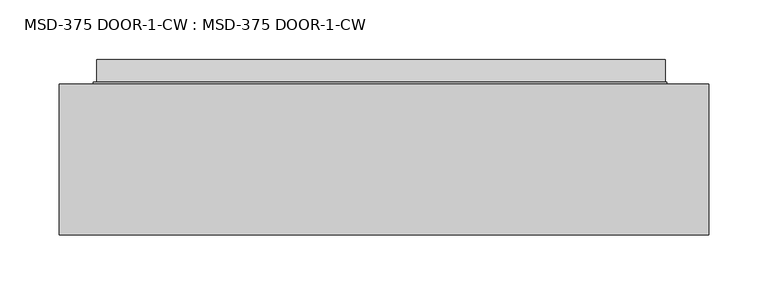
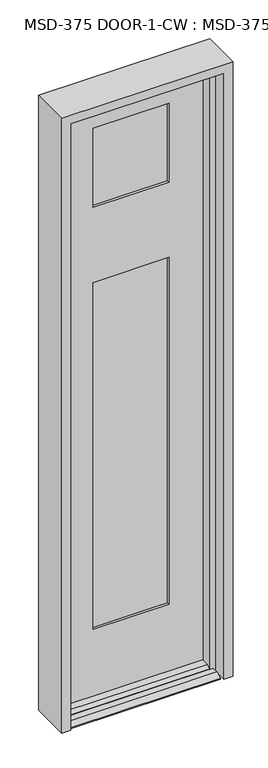
"""IFC4 building model written with IfcOpenShell, lengths in millimetres: plate geometry, MSD-375 DOOR-1-CW : MSD-375 DOOR-1-CW."""

from ifc_helpers import new_model, si_unit, frame, origin, place, context, project, spatial, polyline, outline, extrude, faceted_brep, source, transform, mapped, element, save


def msd_375_door_1_cw_msd_375_door_1_cw_c3269a17(model_context):
    return source(origin(), model_context, "Body", "SolidModel", [
        faceted_brep([(236.6563901, 1.8752528, 0.0), (238.0603327, 1.8752528, 0.0), (236.6563901, -20.6651106, 0.0), (236.6563901, -121.9497472, 0.0), (-241.7064, -121.9497472, 0.0), (-241.7064, -42.5747472, 0.0), (-244.475, 1.8752528, 0.0), (-241.7064, 1.8752528, 0.0), (-241.7064, 20.9252528, 0.0), (236.6563901, 20.9252528, 0.0), (236.6563901, -35.1325472, 226.2251), (236.6563901, -35.1325472, 246.0625), (236.6563901, -42.5747472, 246.0625), (236.6563901, -42.5747472, 21.4376), (236.6563901, -68.4446472, 21.4376), (236.6563901, -80.8652472, 14.2748), (236.6563901, -80.8652472, 12.7), (236.6563901, -102.8997472, 12.7), (236.6563901, -121.9497472, 3.175), (236.6563901, -20.6651106, 226.2251), (236.6563901, 20.9252528, 3.175), (236.6563901, 1.8752528, 12.7), (-241.7064, 1.8752528, 12.7), (-241.7064, 20.9252528, 3.175), (-241.7064, -121.9497472, 3.175), (-241.7064, -102.8997472, 12.7), (-241.7064, -80.8652472, 12.7), (-241.7064, -80.8652472, 14.2748), (-241.7064, -68.4446472, 21.4376), (-241.7064, -42.5747472, 21.4376), (238.0603327, 1.8752528, 2034.2980546), (-244.475, 1.8752528, 2034.2980546), (-123.825, 1.8752528, 1413.65605), (-123.825, 1.8752528, 246.0625), (117.4103327, 1.8752528, 246.0625), (117.4103327, 1.8752528, 1413.65605), (117.4103327, 1.8752528, 1932.6980546), (-123.825, 1.8752528, 1932.6980546), (-123.825, 1.8752528, 1667.65605), (117.4103327, 1.8752528, 1667.65605), (117.4103327, -9.7325472, 1932.6980546), (-123.825, -9.7325472, 1932.6980546), (137.2477327, -9.7325472, 1433.50615), (-143.6624, -9.7325472, 1433.50615), (-143.6624, -9.7325472, 226.2251), (137.2477327, -9.7325472, 226.2251), (-123.825, -9.7325472, 1413.65605), (117.4103327, -9.7325472, 1413.65605), (117.4103327, -9.7325472, 246.0625), (-123.825, -9.7325472, 246.0625), (137.2477327, -9.7325472, 1952.61865), (-143.6624, -9.7325472, 1952.61865), (-143.6624, -9.7325472, 1647.81865), (137.2477327, -9.7325472, 1647.81865), (117.4103327, -9.7325472, 1667.65605), (-123.825, -9.7325472, 1667.65605), (137.2477327, -35.1325472, 1952.61865), (-143.6624, -35.1325472, 1952.61865), (235.7552755, -35.1325472, 226.2251), (235.7552755, -35.1325472, 246.0625), (137.2477327, -35.1325472, 1647.81865), (-143.6624, -35.1325472, 1647.81865), (117.4103327, -35.1325472, 1932.6980546), (-123.825, -35.1325472, 1932.6980546), (-123.825, -35.1325472, 1667.65605), (117.4103327, -35.1325472, 1667.65605), (-143.6624, -35.1325472, 1433.50615), (137.2477327, -35.1325472, 1433.50615), (137.2477327, -35.1325472, 226.2251), (-143.6624, -35.1325472, 226.2251), (117.4103327, -35.1325472, 1413.65605), (-123.825, -35.1325472, 1413.65605), (-123.825, -35.1325472, 246.0625), (117.4103327, -35.1325472, 246.0625), (117.4103327, -42.5747472, 1932.6980546), (-123.825, -42.5747472, 1932.6980546), (235.2917327, -42.5747472, 2034.2980546), (-241.7064, -42.5747472, 2034.2980546), (235.2917327, -42.5747472, 246.0625), (117.4103327, -42.5747472, 1667.65605), (-123.825, -42.5747472, 1667.65605), (117.4103327, -42.5747472, 1413.65605), (117.4103327, -42.5747472, 246.0625), (-123.825, -42.5747472, 246.0625), (-123.825, -42.5747472, 1413.65605)], [[[0, 1, 2, 3, 4, 5, 6, 7, 8, 9]], [[10, 11, 12, 13, 14, 15, 16, 17, 18, 3, 2, 19]], [[9, 20, 21, 0]], [[22, 23, 8, 7]], [[4, 24, 25, 26, 27, 28, 29, 5]], [[30, 1, 0, 21, 22, 7, 6, 31], [32, 33, 34, 35], [36, 37, 38, 39]], [[36, 40, 41, 37]], [[42, 43, 44, 45], [46, 47, 48, 49]], [[50, 51, 52, 53], [41, 40, 54, 55]], [[50, 56, 57, 51]], [[11, 10, 58, 59]], [[57, 56, 60, 61], [62, 63, 64, 65]], [[66, 67, 68, 69], [70, 71, 72, 73]], [[62, 74, 75, 63]], [[76, 77, 29, 13, 12, 78], [75, 74, 79, 80], [81, 82, 83, 84]], [[76, 30, 31, 77]], [[56, 50, 53, 60]], [[68, 67, 42, 45]], [[74, 62, 65, 79]], [[81, 70, 73, 82]], [[30, 76, 78, 59, 58, 19, 2, 1]], [[40, 36, 39, 54]], [[47, 35, 34, 48]], [[29, 77, 31, 6, 5]], [[63, 75, 80, 64]], [[71, 84, 83, 72]], [[44, 43, 66, 69]], [[51, 57, 61, 52]], [[37, 41, 55, 38]], [[32, 46, 49, 33]], [[39, 38, 55, 54]], [[60, 53, 52, 61]], [[65, 64, 80, 79]], [[71, 70, 81, 84]], [[42, 67, 66, 43]], [[32, 35, 47, 46]], [[10, 19, 58]], [[69, 68, 45, 44]], [[12, 11, 59, 78]], [[73, 72, 83, 82]], [[14, 13, 29, 28]], [[15, 14, 28, 27]], [[16, 15, 27, 26]], [[17, 16, 26, 25]], [[18, 17, 25, 24]], [[3, 18, 24, 4]], [[20, 9, 8, 23]], [[22, 21, 20, 23]], [[34, 33, 49, 48]]]),
        extrude(outline(polyline([(-141.7662802, -9.7325472), (136.6338756, -9.7325472), (136.6338756, -14.8125472), (-141.7662802, -14.8125472), (-141.7662802, -9.7325472)])), frame((0.0, 0.0, 1647.81865), z_axis=(0.0, 0.0, 1.0), x_axis=(1.0, 0.0, 0.0)), (0.0, 0.0, 1.0), 304.8),
        extrude(outline(polyline([(136.6338756, -24.2105472), (136.6338756, -29.2905472), (-141.7662802, -29.2905472), (-141.7662802, -24.2105472), (136.6338756, -24.2105472)])), frame((0.0, 0.0, 1647.81865), z_axis=(0.0, 0.0, 1.0), x_axis=(1.0, 0.0, 0.0)), (0.0, 0.0, 1.0), 304.8),
        extrude(outline(polyline([(-141.7662802, -30.0525472), (136.6338756, -30.0525472), (136.6338756, -35.1325472), (-141.7662802, -35.1325472), (-141.7662802, -30.0525472)])), frame((0.0, 0.0, 1647.81865), z_axis=(0.0, 0.0, 1.0), x_axis=(1.0, 0.0, 0.0)), (0.0, 0.0, 1.0), 304.8),
        extrude(outline(polyline([(-143.6624, -9.7325472), (137.2477327, -9.7325472), (137.2477327, -14.8125472), (-143.6624, -14.8125472), (-143.6624, -9.7325472)])), frame((0.0, 0.0, 226.21875), z_axis=(0.0, 0.0, 1.0), x_axis=(1.0, 0.0, 0.0)), (0.0, 0.0, 1.0), 1207.2874),
        extrude(outline(polyline([(137.2477327, -24.2105472), (137.2477327, -29.2905472), (-143.6624, -29.2905472), (-143.6624, -24.2105472), (137.2477327, -24.2105472)])), frame((0.0, 0.0, 226.21875), z_axis=(0.0, 0.0, 1.0), x_axis=(1.0, 0.0, 0.0)), (0.0, 0.0, 1.0), 1207.2874),
        extrude(outline(polyline([(-143.6624, -30.0525472), (137.2477327, -30.0525472), (137.2477327, -35.1325472), (-143.6624, -35.1325472), (-143.6624, -30.0525472)])), frame((0.0, 0.0, 226.21875), z_axis=(0.0, 0.0, 1.0), x_axis=(1.0, 0.0, 0.0)), (0.0, 0.0, 1.0), 1207.2874),
        faceted_brep([(225.425, -47.7876516, 0.0), (244.475, -47.7876516, 0.0), (244.475, 0.0, 0.0), (273.05, 0.0, 0.0), (273.05, -127.0, 0.0), (244.475, -127.0, 0.0), (244.475, -82.7126516, 0.0), (225.425, -82.7126516, 0.0), (273.05, -127.0, 2070.1), (273.05, 0.0, 2070.1), (-273.05, 0.0, 2070.1), (-273.05, -127.0, 2070.1), (225.425, -47.7876516, 2028.825), (244.475, -47.7876516, 2028.825), (244.475, -47.625, 2028.825), (244.475, -47.625, 2041.525), (244.475, 0.0, 2041.525), (-244.475, 0.0, 2041.525), (-244.475, 0.0, 0.0), (-273.05, 0.0, 0.0), (-273.05, -127.0, 0.0), (-244.475, -127.0, 0.0), (-244.475, -127.0, 2041.525), (244.475, -127.0, 2041.525), (244.475, -82.7126516, 2041.525), (225.425, -82.7126516, 2041.525), (225.425, -82.296, 2041.525), (225.425, -82.296, 2028.825), (-225.425, -47.7876516, 0.0), (-225.425, -82.7126516, 0.0), (-244.475, -82.7126516, 0.0), (-244.475, -47.7876516, 0.0), (-225.425, -47.7876516, 2028.825), (-225.425, -82.296, 2028.825), (-225.425, -82.296, 2041.525), (-225.425, -82.7126516, 2041.525), (-244.475, -82.7126516, 2041.525), (-244.475, -47.625, 2041.525), (-244.475, -47.625, 2028.825), (-244.475, -47.7876516, 2028.825)], [[[0, 1, 2, 3, 4, 5, 6, 7]], [[8, 9, 10, 11]], [[1, 0, 12, 13]], [[2, 1, 13, 14, 15, 16]], [[3, 2, 16, 17, 18, 19, 10, 9]], [[4, 3, 9, 8]], [[5, 4, 8, 11, 20, 21, 22, 23]], [[6, 5, 23, 24]], [[7, 6, 24, 25]], [[0, 7, 25, 26, 27, 12]], [[28, 29, 30, 21, 20, 19, 18, 31]], [[29, 28, 32, 33, 34, 35]], [[30, 29, 35, 36]], [[21, 30, 36, 22]], [[10, 19, 20, 11]], [[31, 18, 17, 37, 38, 39]], [[28, 31, 39, 32]], [[23, 22, 36, 35, 34, 26, 25, 24]], [[26, 34, 33, 27]], [[27, 33, 32, 39, 38, 14, 13, 12]], [[14, 38, 37, 15]], [[17, 16, 15, 37]]]),
    ])


if __name__ == "__main__":
    model = new_model("IFC4")
    model_context = context("Model", 3, world=origin())
    ifc_project = project(units=[si_unit("LENGTHUNIT", "METRE", prefix="MILLI")], contexts=[model_context])
    site = spatial("IfcSite", under=ifc_project)
    building = spatial("IfcBuilding", under=site)
    placement = place(None, origin())
    msd_375_door_1_cw_msd_375_door_1_cw_shape = msd_375_door_1_cw_msd_375_door_1_cw_c3269a17(model_context)
    element("IfcPlate", 1, ObjectType="MSD-375 DOOR-1-CW : MSD-375 DOOR-1-CW", at=placement, inside=building, context=model_context, shape_type="MappedRepresentation", body=[
        mapped(msd_375_door_1_cw_msd_375_door_1_cw_shape, transform((0.0, 0.0, 0.0), x_axis=(1.0, 0.0, 0.0), y_axis=(0.0, 1.0, 0.0), z_axis=(0.0, 0.0, 1.0))),
    ])
    save(model, "model.ifc")
